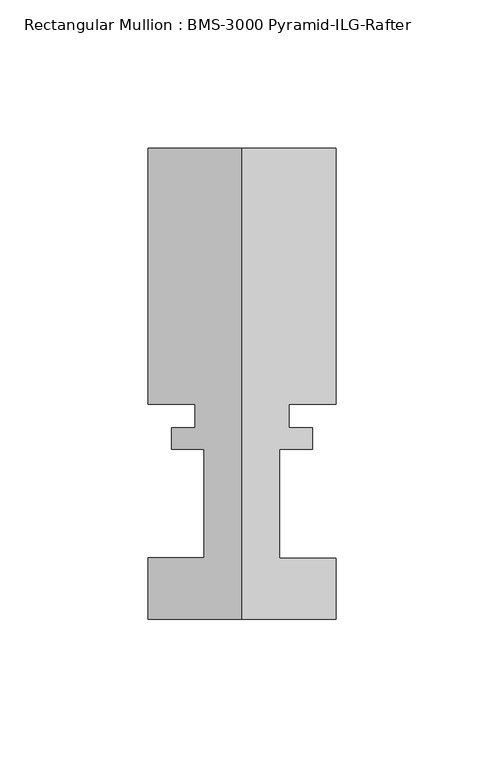
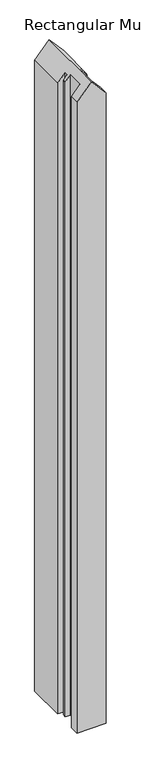
"""IFC4 building model written with IfcOpenShell, lengths in millimetres: member geometry, Rectangular Mullion : BMS-3000 Pyramid-ILG-Rafter."""

import ifcopenshell
import ifcopenshell.guid

model = None  # the IFC model being written
_history = None  # IfcOwnerHistory: only IFC2X3 demands one
_inside = {}  # id of a spatial element -> (the spatial element, [elements in it])
_under = {}  # id of a project, library or spatial element -> (it, [spatial elements below it])
_declared = {}  # id of a project -> (the project, [libraries it declares])
_typed = {}  # id of a type object -> (the type object, [elements of that type])
_made_of = {}  # id of a material, layer set ... -> (it, [elements and type objects made of it])


def new_model(schema):
    """Start an empty IFC model of exactly this schema.

    Asked for "IFC4X3", IfcOpenShell would pick the latest addendum, in which some entities
    have other attributes; the version numbers below select the first issue.
    IFC2X3 requires an IfcOwnerHistory on every rooted entity: one is made here for all.
    """
    global model, _history
    if schema == "IFC4X3":
        model = ifcopenshell.file(schema_version=(4, 3, 0, 0))
    else:
        model = ifcopenshell.file(schema=schema)
    _inside.clear()
    _under.clear()
    _declared.clear()
    _typed.clear()
    _made_of.clear()
    _history = None
    if model.schema == "IFC2X3":
        org = make("IfcOrganization", Name="unknown")
        user = make(
            "IfcPersonAndOrganization",
            ThePerson=make("IfcPerson", FamilyName="unknown"),
            TheOrganization=org,
        )
        app = make(
            "IfcApplication",
            ApplicationDeveloper=org,
            Version="unknown",
            ApplicationFullName="unknown",
            ApplicationIdentifier="unknown",
        )
        _history = make(
            "IfcOwnerHistory",
            OwningUser=user,
            OwningApplication=app,
            ChangeAction="ADDED",
            CreationDate=0,
        )
    return model


def make(cls, **values):
    """One entity of the class cls with the attributes given. An attribute that is None is left unset."""
    return model.create_entity(
        cls, **{name: value for name, value in values.items() if value is not None}
    )


def rooted(cls, **values):
    """An entity with a GlobalId (a new one), such as an element, a storey or a relation."""
    return make(cls, GlobalId=ifcopenshell.guid.new(), OwnerHistory=_history, **values)


def si_unit(unit_type, name, prefix=None):
    """IfcSIUnit, for example si_unit("LENGTHUNIT", "METRE", prefix="MILLI")."""
    return make("IfcSIUnit", UnitType=unit_type, Prefix=prefix, Name=name)


def assignment(units):
    """IfcUnitAssignment: the units of a project."""
    return None if units is None else make("IfcUnitAssignment", Units=units)


def point(xyz):
    """IfcCartesianPoint."""
    return None if xyz is None else make("IfcCartesianPoint", Coordinates=xyz)


def direction(xyz):
    """IfcDirection."""
    return None if xyz is None else make("IfcDirection", DirectionRatios=xyz)


def frame(location, z_axis=None, x_axis=None):
    """IfcAxis2Placement3D, a coordinate frame: its origin and axes. An axis left out is left unset."""
    return make(
        "IfcAxis2Placement3D",
        Location=point(location),
        Axis=direction(z_axis),
        RefDirection=direction(x_axis),
    )


def origin():
    """The frame at (0, 0, 0) with its axes left unset."""
    return frame((0.0, 0.0, 0.0))


def place(relative_to, where):
    """IfcLocalPlacement: puts the frame where relative to a parent placement (None: the world)."""
    return make(
        "IfcLocalPlacement", PlacementRelTo=relative_to, RelativePlacement=where
    )


def context(
    kind, dimensions, precision=None, world=None, true_north=None, identifier=None
):
    """IfcGeometricRepresentationContext, for example the 3D "Model" context."""
    return make(
        "IfcGeometricRepresentationContext",
        ContextIdentifier=identifier,
        ContextType=kind,
        CoordinateSpaceDimension=dimensions,
        Precision=precision,
        WorldCoordinateSystem=world,
        TrueNorth=true_north,
    )


def project(units=None, contexts=None):
    """IfcProject with its units and contexts."""
    return rooted(
        "IfcProject",
        Name="project",
        RepresentationContexts=contexts,
        UnitsInContext=assignment(units),
    )


def spatial(cls, under=None, at=None, **own):
    """A site, building, storey or space (cls), placed at a placement, below another one or the project."""
    s = rooted(cls, ObjectPlacement=at, **own)
    if under is not None:
        _under.setdefault(under.id(), (under, []))[1].append(s)
    return s


def faces_of(points, faces, orient=None, outer=None):
    """IfcFace entities. A face is a list of loops; a loop is a list of indices into points, from 0.

    orient and outer hold one flag for each loop. By default every Orientation is true, the
    first loop of a face is its IfcFaceOuterBound and the others are IfcFaceBound.
    """
    made = []
    for i, loops in enumerate(faces):
        bounds = []
        for j, loop in enumerate(loops):
            is_outer = j == 0 if outer is None else outer[i][j]
            bounds.append(
                make(
                    "IfcFaceOuterBound" if is_outer else "IfcFaceBound",
                    Bound=make("IfcPolyLoop", Polygon=[points[k] for k in loop]),
                    Orientation=True if orient is None else orient[i][j],
                )
            )
        made.append(make("IfcFace", Bounds=bounds))
    return made


def faceted_brep(points, faces, orient=None, outer=None, voids=None):
    """IfcFacetedBrep: a solid bounded by flat faces; with voids (closed shells), ...WithVoids."""
    shared = [point(p) for p in points]
    hull = make("IfcClosedShell", CfsFaces=faces_of(shared, faces, orient, outer))
    if voids is None:
        return make("IfcFacetedBrep", Outer=hull)
    return make(
        "IfcFacetedBrepWithVoids",
        Outer=hull,
        Voids=[
            make(cls, CfsFaces=faces_of(shared, fs, o, b)) for cls, fs, o, b in voids
        ],
    )


def shape(context_of_items, identifier, shape_type, items):
    """IfcShapeRepresentation: the items that make up one representation, for example the "Body"."""
    return make(
        "IfcShapeRepresentation",
        ContextOfItems=context_of_items,
        RepresentationIdentifier=identifier,
        RepresentationType=shape_type,
        Items=items,
    )


def source(mapping_origin, context_of_items, identifier, shape_type, items):
    """IfcRepresentationMap: a shape defined once, which mapped items show again and again."""
    return make(
        "IfcRepresentationMap",
        MappingOrigin=mapping_origin,
        MappedRepresentation=shape(context_of_items, identifier, shape_type, items),
    )


def transform(
    local_origin,
    x_axis=None,
    y_axis=None,
    z_axis=None,
    scale=None,
    scale2=None,
    scale3=None,
    uniform=True,
):
    """IfcCartesianTransformationOperator3D, or its non-uniform kind. x_axis, y_axis, z_axis: its Axis1, 2, 3."""
    if uniform:
        return make(
            "IfcCartesianTransformationOperator3D",
            Axis1=direction(x_axis),
            Axis2=direction(y_axis),
            LocalOrigin=point(local_origin),
            Scale=scale,
            Axis3=direction(z_axis),
        )
    return make(
        "IfcCartesianTransformationOperator3DnonUniform",
        Axis1=direction(x_axis),
        Axis2=direction(y_axis),
        LocalOrigin=point(local_origin),
        Scale=scale,
        Axis3=direction(z_axis),
        Scale2=scale2,
        Scale3=scale3,
    )


def mapped(mapping_source, mapping_target):
    """IfcMappedItem: shows the shape of a source again, moved by a transform."""
    return make(
        "IfcMappedItem", MappingSource=mapping_source, MappingTarget=mapping_target
    )


def made_of(thing, what):
    """Note that an element or type object is made of a material, layer set ...; save() writes the relation."""
    if what is not None:
        _made_of.setdefault(what.id(), (what, []))[1].append(thing)
    return thing


def element(
    cls,
    number,
    at=None,
    inside=None,
    cuts=None,
    type_object=None,
    material=None,
    context=None,
    identifier="Body",
    shape_type=None,
    held_by="IfcProductDefinitionShape",
    body=None,
    shapes=None,
    **own,
):
    """One element of the class cls, such as IfcWall. Its Tag is "e" and its number.

    at: its placement. inside: the storey or other place that contains it. cuts: it is an
    opening in that element (IfcRelVoidsElement). A single representation is given by context,
    identifier, shape_type and body (its items); several are given by shapes. held_by: the class
    of the entity that holds the representations. save() writes the other relations.
    """
    e = rooted(cls, Tag="e%d" % number, ObjectPlacement=at, **own)
    if body is not None:
        shapes = [shape(context, identifier, shape_type, body)]
    if shapes is not None:
        e.Representation = make(held_by, Representations=shapes)
    if inside is not None:
        _inside.setdefault(inside.id(), (inside, []))[1].append(e)
    if cuts is not None:
        rooted(
            "IfcRelVoidsElement", RelatingBuildingElement=cuts, RelatedOpeningElement=e
        )
    if type_object is not None:
        _typed.setdefault(type_object.id(), (type_object, []))[1].append(e)
    return made_of(e, material)


def aggregate(whole, parts):
    """IfcRelAggregates: a whole, such as a stair, and the parts it consists of."""
    return rooted("IfcRelAggregates", RelatingObject=whole, RelatedObjects=parts)


def save(model, path):
    """Write the relations noted so far, then the file.

    IfcRelAggregates (storeys below a building ...), IfcRelContainedInSpatialStructure (elements
    in a storey), IfcRelDefinesByType, IfcRelAssociatesMaterial and IfcRelDeclares: one each for
    every whole, place, type object, material and project.
    """
    for whole, parts in _under.values():
        aggregate(whole, parts)
    for where, things in _inside.values():
        rooted(
            "IfcRelContainedInSpatialStructure",
            RelatedElements=things,
            RelatingStructure=where,
        )
    for kind, things in _typed.values():
        rooted("IfcRelDefinesByType", RelatedObjects=things, RelatingType=kind)
    for what, things in _made_of.values():
        rooted("IfcRelAssociatesMaterial", RelatedObjects=things, RelatingMaterial=what)
    for by, libraries in _declared.values():
        rooted("IfcRelDeclares", RelatingContext=by, RelatedDefinitions=libraries)
    model.write(path)


def rectangular_mullion_bms_3000_pyramid_ilg_rafter_ee9df0d8(model_context):
    return source(origin(), model_context, "Body", "Brep", [
        faceted_brep([(23.8252, 61.3362375, -1632.6326892), (23.8252, 54.0742188, -1632.6326892), (12.7, 54.0742187, -1632.6326892), (12.7, 17.3180375, -1632.6326892), (31.75, 17.2799375, -1632.6326892), (31.75, -3.3575625, -1632.6326892), (-31.75, -3.3575625, -1632.6326892), (-31.75, 17.3180375, -1632.6326892), (-12.7, 17.3180375, -1632.6326892), (-12.7, 54.0742188, -1632.6326892), (-23.8252, 54.0742187, -1632.6326892), (-23.8252, 61.3362375, -1632.6326892), (-15.875, 61.3362375, -1632.6326892), (-15.875, 69.2356375, -1632.6326892), (-31.75, 69.2356375, -1632.6326892), (-31.75, 155.7734375, -1632.6326892), (31.75, 155.7734375, -1632.6326892), (31.75, 69.2356375, -1632.6326892), (15.875, 69.2356375, -1632.6326892), (15.875, 61.3362375, -1632.6326892), (15.875, 61.3362375, -159.9748342), (23.8252, 61.3362375, -169.1549344), (15.875, 69.2356375, -159.9748342), (31.75, 69.2356375, -178.3057053), (31.75, 155.7734375, -178.3057053), (-31.75, 155.7734375, -178.3057053), (0.0, 155.7734375, -141.6439632), (-31.75, 69.2356375, -178.3057053), (-15.875, 69.2356375, -159.9748342), (-15.875, 61.3362375, -159.9748342), (-23.8252, 61.3362375, -169.1549344), (-23.8252, 54.0742187, -169.1549344), (-12.7, 54.0742187, -156.30866), (-12.7, 17.3180375, -156.30866), (-31.75, 17.3180375, -178.3057053), (-31.75, -3.3575625, -178.3057053), (31.75, -3.3575625, -178.3057053), (0.0, -3.3575625, -141.6439632), (31.75, 17.2799375, -178.3057053), (12.7, 17.3180375, -156.30866), (12.7, 54.0742187, -156.30866), (23.8252, 54.0742187, -169.1549344)], [[[0, 1, 2, 3, 4, 5, 6, 7, 8, 9, 10, 11, 12, 13, 14, 15, 16, 17, 18, 19]], [[20, 21, 0, 19]], [[22, 20, 19, 18]], [[23, 22, 18, 17]], [[24, 23, 17, 16]], [[25, 26, 24, 16, 15]], [[27, 25, 15, 14]], [[28, 27, 14, 13]], [[29, 28, 13, 12]], [[30, 29, 12, 11]], [[31, 30, 11, 10]], [[32, 31, 10, 9]], [[33, 32, 9, 8]], [[34, 33, 8, 7]], [[35, 34, 7, 6]], [[36, 37, 35, 6, 5]], [[38, 36, 5, 4]], [[39, 38, 4, 3]], [[40, 39, 3, 2]], [[41, 40, 2, 1]], [[21, 41, 1, 0]], [[21, 20, 22, 23, 24, 26, 37, 36, 38, 39, 40, 41]], [[26, 25, 27, 28, 29, 30, 31, 32, 33, 34, 35, 37]]]),
    ])


if __name__ == "__main__":
    model = new_model("IFC4")
    model_context = context("Model", 3, world=origin())
    ifc_project = project(units=[si_unit("LENGTHUNIT", "METRE", prefix="MILLI")], contexts=[model_context])
    site = spatial("IfcSite", under=ifc_project)
    building = spatial("IfcBuilding", under=site)
    placement = place(None, origin())
    rectangular_mullion_bms_3000_pyramid_ilg_rafter_shape = rectangular_mullion_bms_3000_pyramid_ilg_rafter_ee9df0d8(model_context)
    element("IfcMember", 1, ObjectType="Rectangular Mullion : BMS-3000 Pyramid-ILG-Rafter", at=placement, inside=building, context=model_context, shape_type="MappedRepresentation", body=[
        mapped(rectangular_mullion_bms_3000_pyramid_ilg_rafter_shape, transform((0.0, 0.0, 0.0), x_axis=(1.0, 0.0, 0.0), y_axis=(0.0, 1.0, 0.0), z_axis=(0.0, 0.0, 1.0))),
    ])
    save(model, "model.ifc")
